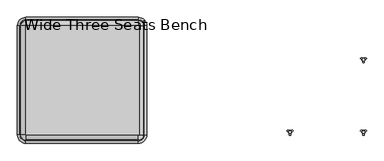
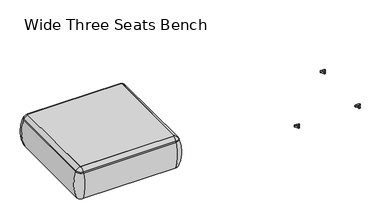
"""IFC4 building model written with IfcOpenShell, lengths in millimetres: furniture geometry, Wide Three Seats Bench."""

from ifc_helpers import new_model, si_unit, point, frame, frame_2d, origin, place, context, project, spatial, polyline, circle_curve, ellipse_curve, trimmed, segment, composite_curve, outline, extrude, source, transform, mapped, element, save
from ifc_brep_helpers import plane_surface, cylinder_surface, revolved_surface, advanced_brep


def wide_three_seats_bench_999d82e3(model_context):
    return source(origin(), model_context, "Body", "SolidModel", [
        advanced_brep(
        [(-1447.2450173, -668.4794123, 390.3914007), (-1441.96521, -673.7592195, 390.3914007), (-1441.96521, -673.7592195, 123.9999984), (-1447.2450173, -668.4794123, 123.9999984), (-1475.9330615, -668.4794123, 123.9999984), (-1441.96521, -702.4472637, 123.9999984), (-1441.96521, -710.1267287, 353.7769053), (-1483.6125265, -668.4794123, 353.7769053), (-1447.2450173, 89.8571486, 123.9999984), (-1447.2450173, 89.8571486, 390.3914007), (-1483.6125265, 89.8571486, 353.7769053), (-1475.9330615, 89.8571486, 123.9999984), (-1441.96521, 95.1369558, 390.3914007), (-1441.96521, 95.1369558, 123.9999984), (-1441.96521, 123.825, 123.9999984), (-1441.96521, 131.504465, 353.7769053), (-662.18521, 95.1369558, 123.9999984), (-662.18521, 95.1369558, 390.3914007), (-662.18521, 131.504465, 353.7769053), (-662.18521, 123.825, 123.9999984), (-656.9054028, 89.8571486, 390.3914007), (-656.9054028, 89.8571486, 123.9999984), (-628.2173586, 89.8571486, 123.9999984), (-620.5378936, 89.8571486, 353.7769053), (-656.9054028, -668.4794123, 123.9999984), (-656.9054028, -668.4794123, 390.3914007), (-620.5378936, -668.4794123, 353.7769053), (-628.2173586, -668.4794123, 123.9999984), (-662.18521, -673.7592195, 390.3914007), (-662.18521, -673.7592195, 123.9999984), (-662.18521, -702.4472637, 123.9999984), (-662.18521, -710.1267287, 353.7769053), (-1478.3940666, -668.4794123, 363.6402875), (-1441.96521, -704.9082688, 363.6402875), (-1478.3940666, 89.8571486, 363.6402875), (-1441.96521, 126.2860051, 363.6402875), (-662.18521, 126.2860051, 363.6402875), (-625.7563535, 89.8571486, 363.6402875), (-625.7563535, -668.4794123, 363.6402875), (-662.18521, -704.9082688, 363.6402875)],
        [
            (0, 1, circle_curve(frame((-1441.96521, -668.4794123, 390.3914007), z_axis=(0.0, 0.0, 1.0), x_axis=(0.0, -1.0, 0.0)), 5.2798073)),
            (1, 2),
            (2, 3, circle_curve(frame((-1441.96521, -668.4794123, 123.9999984), z_axis=(0.0, 0.0, -1.0), x_axis=(0.0, -1.0, 0.0)), 5.2798073)),
            (3, 0),
            (4, 5, circle_curve(frame((-1441.96521, -668.4794123, 123.9999984), z_axis=(0.0, 0.0, 1.0), x_axis=(0.0, -1.0, 0.0)), 33.9678514)),
            (5, 6, circle_curve(frame((-1441.96521, -406.0729797, 248.9220234), z_axis=(-1.0, 0.0, 0.0), x_axis=(0.0, -1.0, 0.0)), 321.625914)),
            (6, 7, circle_curve(frame((-1441.96521, -668.4794123, 353.7769053), z_axis=(0.0, 0.0, -1.0), x_axis=(0.0, -1.0, 0.0)), 41.6473165)),
            (7, 4, circle_curve(frame((-1179.5587775, -668.4794123, 248.9220234), z_axis=(0.0, -1.0, 0.0), x_axis=(-1.0, 0.0, 0.0)), 321.625914)),
            (3, 8),
            (8, 9),
            (9, 0),
            (7, 10),
            (10, 11, circle_curve(frame((-1179.5587775, 89.8571486, 248.9220234), z_axis=(0.0, -1.0, 0.0), x_axis=(-1.0, 0.0, 0.0)), 321.625914)),
            (11, 4),
            (12, 9, circle_curve(frame((-1441.96521, 89.8571486, 390.3914007), z_axis=(0.0, 0.0, 1.0), x_axis=(-1.0, 0.0, 0.0)), 5.2798073)),
            (8, 13, circle_curve(frame((-1441.96521, 89.8571486, 123.9999984), z_axis=(0.0, 0.0, -1.0), x_axis=(-1.0, 0.0, 0.0)), 5.2798073)),
            (13, 12),
            (14, 11, circle_curve(frame((-1441.96521, 89.8571486, 123.9999984), z_axis=(0.0, 0.0, 1.0), x_axis=(-1.0, 0.0, 0.0)), 33.9678514)),
            (10, 15, circle_curve(frame((-1441.96521, 89.8571486, 353.7769053), z_axis=(0.0, 0.0, -1.0), x_axis=(-1.0, 0.0, 0.0)), 41.6473165)),
            (15, 14, circle_curve(frame((-1441.96521, -172.549284, 248.9220234), z_axis=(-1.0, 0.0, 0.0), x_axis=(0.0, 1.0, 0.0)), 321.625914)),
            (13, 16),
            (16, 17),
            (17, 12),
            (15, 18),
            (18, 19, circle_curve(frame((-662.18521, -172.549284, 248.9220234), z_axis=(-1.0, 0.0, 0.0), x_axis=(0.0, 1.0, 0.0)), 321.625914)),
            (19, 14),
            (20, 17, circle_curve(frame((-662.18521, 89.8571486, 390.3914007), z_axis=(0.0, 0.0, 1.0), x_axis=(0.0, 1.0, 0.0)), 5.2798073)),
            (16, 21, circle_curve(frame((-662.18521, 89.8571486, 123.9999984), z_axis=(0.0, 0.0, -1.0), x_axis=(0.0, 1.0, 0.0)), 5.2798073)),
            (21, 20),
            (22, 19, circle_curve(frame((-662.18521, 89.8571486, 123.9999984), z_axis=(0.0, 0.0, 1.0), x_axis=(0.0, 1.0, 0.0)), 33.9678514)),
            (18, 23, circle_curve(frame((-662.18521, 89.8571486, 353.7769053), z_axis=(0.0, 0.0, -1.0), x_axis=(0.0, 1.0, 0.0)), 41.6473165)),
            (23, 22, circle_curve(frame((-924.5916426, 89.8571486, 248.9220234), z_axis=(0.0, 1.0, 0.0), x_axis=(1.0, 0.0, 0.0)), 321.625914)),
            (21, 24),
            (24, 25),
            (25, 20),
            (23, 26),
            (26, 27, circle_curve(frame((-924.5916426, -668.4794123, 248.9220234), z_axis=(0.0, 1.0, 0.0), x_axis=(1.0, 0.0, 0.0)), 321.625914)),
            (27, 22),
            (28, 25, circle_curve(frame((-662.18521, -668.4794123, 390.3914007), z_axis=(0.0, 0.0, 1.0), x_axis=(1.0, 0.0, 0.0)), 5.2798073)),
            (24, 29, circle_curve(frame((-662.18521, -668.4794123, 123.9999984), z_axis=(0.0, 0.0, -1.0), x_axis=(1.0, 0.0, 0.0)), 5.2798073)),
            (29, 28),
            (30, 27, circle_curve(frame((-662.18521, -668.4794123, 123.9999984), z_axis=(0.0, 0.0, 1.0), x_axis=(1.0, 0.0, 0.0)), 33.9678514)),
            (26, 31, circle_curve(frame((-662.18521, -668.4794123, 353.7769053), z_axis=(0.0, 0.0, -1.0), x_axis=(1.0, 0.0, 0.0)), 41.6473165)),
            (31, 30, circle_curve(frame((-662.18521, -406.0729797, 248.9220234), z_axis=(1.0, 0.0, 0.0), x_axis=(0.0, -1.0, 0.0)), 321.625914)),
            (30, 5),
            (2, 29),
            (1, 28),
            (31, 6),
            (32, 33, circle_curve(frame((-1441.96521, -668.4794123, 363.6402875), z_axis=(0.0, 0.0, 1.0), x_axis=(0.0, -1.0, 0.0)), 36.4288566)),
            (33, 1, circle_curve(frame((-1441.96521, -629.5266, 307.3762868), z_axis=(-1.0, 0.0, 0.0), x_axis=(0.0, -1.0, 0.0)), 94.0639876)),
            (0, 32, circle_curve(frame((-1403.0123978, -668.4794123, 307.3762868), z_axis=(0.0, -1.0, 0.0), x_axis=(-1.0, 0.0, 0.0)), 94.0639876)),
            (6, 33, circle_curve(frame((-1441.96521, -675.8620096, 341.9604975), z_axis=(-1.0, 0.0, 0.0), x_axis=(0.0, -1.0, 0.0)), 36.2449785)),
            (32, 7, circle_curve(frame((-1449.3478074, -668.4794123, 341.9604975), z_axis=(0.0, -1.0, 0.0), x_axis=(-1.0, 0.0, 0.0)), 36.2449785)),
            (9, 34, circle_curve(frame((-1403.0123978, 89.8571486, 307.3762868), z_axis=(0.0, -1.0, 0.0), x_axis=(-1.0, 0.0, 0.0)), 94.0639876)),
            (34, 32),
            (34, 10, circle_curve(frame((-1449.3478074, 89.8571486, 341.9604975), z_axis=(0.0, -1.0, 0.0), x_axis=(-1.0, 0.0, 0.0)), 36.2449785)),
            (35, 34, circle_curve(frame((-1441.96521, 89.8571486, 363.6402875), z_axis=(0.0, 0.0, 1.0), x_axis=(-1.0, 0.0, 0.0)), 36.4288566)),
            (12, 35, circle_curve(frame((-1441.96521, 50.9043363, 307.3762868), z_axis=(-1.0, 0.0, 0.0), x_axis=(0.0, 1.0, 0.0)), 94.0639876)),
            (35, 15, circle_curve(frame((-1441.96521, 97.2397459, 341.9604975), z_axis=(-1.0, 0.0, 0.0), x_axis=(0.0, 1.0, 0.0)), 36.2449785)),
            (17, 36, circle_curve(frame((-662.18521, 50.9043363, 307.3762868), z_axis=(-1.0, 0.0, 0.0), x_axis=(0.0, 1.0, 0.0)), 94.0639876)),
            (36, 35),
            (36, 18, circle_curve(frame((-662.18521, 97.2397459, 341.9604975), z_axis=(-1.0, 0.0, 0.0), x_axis=(0.0, 1.0, 0.0)), 36.2449785)),
            (37, 36, circle_curve(frame((-662.18521, 89.8571486, 363.6402875), z_axis=(0.0, 0.0, 1.0), x_axis=(0.0, 1.0, 0.0)), 36.4288566)),
            (20, 37, circle_curve(frame((-701.1380223, 89.8571486, 307.3762868), z_axis=(0.0, 1.0, 0.0), x_axis=(1.0, 0.0, 0.0)), 94.0639876)),
            (37, 23, circle_curve(frame((-654.8026126, 89.8571486, 341.9604975), z_axis=(0.0, 1.0, 0.0), x_axis=(1.0, 0.0, 0.0)), 36.2449785)),
            (25, 38, circle_curve(frame((-701.1380223, -668.4794123, 307.3762868), z_axis=(0.0, 1.0, 0.0), x_axis=(1.0, 0.0, 0.0)), 94.0639876)),
            (38, 37),
            (38, 26, circle_curve(frame((-654.8026126, -668.4794123, 341.9604975), z_axis=(0.0, 1.0, 0.0), x_axis=(1.0, 0.0, 0.0)), 36.2449785)),
            (39, 38, circle_curve(frame((-662.18521, -668.4794123, 363.6402875), z_axis=(0.0, 0.0, 1.0), x_axis=(1.0, 0.0, 0.0)), 36.4288566)),
            (28, 39, circle_curve(frame((-662.18521, -629.5266, 307.3762868), z_axis=(1.0, 0.0, 0.0), x_axis=(0.0, -1.0, 0.0)), 94.0639876)),
            (39, 31, circle_curve(frame((-662.18521, -675.8620096, 341.9604975), z_axis=(1.0, 0.0, 0.0), x_axis=(0.0, -1.0, 0.0)), 36.2449785)),
            (33, 39),
        ],
        [
            revolved_surface(polyline([(-1441.96521, -673.7592196, 123.9999984), (-1441.96521, -673.7592196, 390.3914007)]), (-1441.96521, -668.4794123, 0.0), (0.0, 0.0, -1.0)),
            revolved_surface(trimmed(ellipse_curve(frame((-1441.96521, -406.0729797, 248.9220234), z_axis=(1.0, 0.0, 0.0), x_axis=(0.0, -1.0, 0.0)), 321.625914, 321.625914), [point((-1441.96521, -710.1267287, 353.7769053))], [point((-1441.96521, -702.4472637, 123.9999984))], True, "CARTESIAN"), (-1441.96521, -668.4794123, 0.0), (0.0, 0.0, -1.0)),
            plane_surface(frame((-1447.2450173, -668.4794123, 123.9999984), z_axis=(1.0, 0.0, 0.0), x_axis=(0.0, 1.0, 0.0))),
            cylinder_surface(frame((-1179.5587775, -668.4794123, 248.9220234), z_axis=(0.0, -1.0, 0.0), x_axis=(-1.0, 0.0, 0.0)), 321.625914),
            revolved_surface(polyline([(-1447.2450173, 89.8571486, 123.9999984), (-1447.2450173, 89.8571486, 390.3914007)]), (-1441.96521, 89.8571486, 0.0), (0.0, 0.0, -1.0)),
            revolved_surface(trimmed(ellipse_curve(frame((-1179.5587775, 89.8571486, 248.9220234), z_axis=(0.0, -1.0, 0.0), x_axis=(-1.0, 0.0, 0.0)), 321.625914, 321.625914), [point((-1483.6125265, 89.8571486, 353.7769053))], [point((-1475.9330615, 89.8571486, 123.9999984))], True, "CARTESIAN"), (-1441.96521, 89.8571486, 0.0), (0.0, 0.0, -1.0)),
            plane_surface(frame((-1441.96521, 95.1369558, 123.9999984), z_axis=(0.0, -1.0, 0.0), x_axis=(1.0, 0.0, 0.0))),
            cylinder_surface(frame((-1441.96521, -172.549284, 248.9220234), z_axis=(-1.0, 0.0, 0.0), x_axis=(0.0, 1.0, 0.0)), 321.625914),
            revolved_surface(polyline([(-662.18521, 95.1369559, 123.9999984), (-662.18521, 95.1369559, 390.3914007)]), (-662.18521, 89.8571486, 0.0), (0.0, 0.0, -1.0)),
            revolved_surface(trimmed(ellipse_curve(frame((-662.18521, -172.549284, 248.9220234), z_axis=(-1.0, 0.0, 0.0), x_axis=(0.0, 1.0, 0.0)), 321.625914, 321.625914), [point((-662.18521, 131.504465, 353.7769053))], [point((-662.18521, 123.825, 123.9999984))], True, "CARTESIAN"), (-662.18521, 89.8571486, 0.0), (0.0, 0.0, -1.0)),
            plane_surface(frame((-656.9054028, 89.8571486, 123.9999984), z_axis=(-1.0, 0.0, 0.0), x_axis=(0.0, -1.0, 0.0))),
            cylinder_surface(frame((-924.5916426, 89.8571486, 248.9220234), z_axis=(0.0, 1.0, 0.0), x_axis=(1.0, 0.0, 0.0)), 321.625914),
            revolved_surface(polyline([(-656.9054027, -668.4794123, 123.9999984), (-656.9054027, -668.4794123, 390.3914007)]), (-662.18521, -668.4794123, 0.0), (0.0, 0.0, -1.0)),
            revolved_surface(trimmed(ellipse_curve(frame((-924.5916426, -668.4794123, 248.9220234), z_axis=(0.0, 1.0, 0.0), x_axis=(1.0, 0.0, 0.0)), 321.625914, 321.625914), [point((-620.5378936, -668.4794123, 353.7769053))], [point((-628.2173586, -668.4794123, 123.9999984))], True, "CARTESIAN"), (-662.18521, -668.4794123, 0.0), (0.0, 0.0, -1.0)),
            plane_surface(frame((-662.18521, -702.4472637, 123.9999984), z_axis=(0.0, 0.0, -1.0), x_axis=(-1.0, 0.0, 0.0))),
            plane_surface(frame((-662.18521, -673.7592195, 123.9999984), z_axis=(0.0, 1.0, 0.0), x_axis=(-1.0, 0.0, 0.0))),
            cylinder_surface(frame((-662.18521, -406.0729797, 248.9220234), z_axis=(1.0, 0.0, 0.0), x_axis=(0.0, -1.0, 0.0)), 321.625914),
            revolved_surface(trimmed(ellipse_curve(frame((-1441.96521, -629.5266, 307.3762868), z_axis=(1.0, 0.0, 0.0), x_axis=(0.0, -1.0, 0.0)), 94.0639876, 94.0639876), [point((-1441.96521, -673.7592195, 390.3914007))], [point((-1441.96521, -704.9082688, 363.6402875))], True, "CARTESIAN"), (-1441.96521, -668.4794123, 0.0), (0.0, 0.0, -1.0)),
            revolved_surface(trimmed(ellipse_curve(frame((-1441.96521, -675.8620096, 341.9604975), z_axis=(1.0, 0.0, 0.0), x_axis=(0.0, -1.0, 0.0)), 36.2449785, 36.2449785), [point((-1441.96521, -704.9082688, 363.6402875))], [point((-1441.96521, -710.1267287, 353.7769053))], True, "CARTESIAN"), (-1441.96521, -668.4794123, 0.0), (0.0, 0.0, -1.0)),
            cylinder_surface(frame((-1403.0123978, -668.4794123, 307.3762868), z_axis=(0.0, -1.0, 0.0), x_axis=(-1.0, 0.0, 0.0)), 94.0639876),
            cylinder_surface(frame((-1449.3478074, -668.4794123, 341.9604975), z_axis=(0.0, -1.0, 0.0), x_axis=(-1.0, 0.0, 0.0)), 36.2449785),
            revolved_surface(trimmed(ellipse_curve(frame((-1403.0123978, 89.8571486, 307.3762868), z_axis=(0.0, -1.0, 0.0), x_axis=(-1.0, 0.0, 0.0)), 94.0639876, 94.0639876), [point((-1447.2450173, 89.8571486, 390.3914007))], [point((-1478.3940666, 89.8571486, 363.6402875))], True, "CARTESIAN"), (-1441.96521, 89.8571486, 0.0), (0.0, 0.0, -1.0)),
            revolved_surface(trimmed(ellipse_curve(frame((-1449.3478074, 89.8571486, 341.9604975), z_axis=(0.0, -1.0, 0.0), x_axis=(-1.0, 0.0, 0.0)), 36.2449785, 36.2449785), [point((-1478.3940666, 89.8571486, 363.6402875))], [point((-1483.6125265, 89.8571486, 353.7769053))], True, "CARTESIAN"), (-1441.96521, 89.8571486, 0.0), (0.0, 0.0, -1.0)),
            cylinder_surface(frame((-1441.96521, 50.9043363, 307.3762868), z_axis=(-1.0, 0.0, 0.0), x_axis=(0.0, 1.0, 0.0)), 94.0639876),
            cylinder_surface(frame((-1441.96521, 97.2397459, 341.9604975), z_axis=(-1.0, 0.0, 0.0), x_axis=(0.0, 1.0, 0.0)), 36.2449785),
            revolved_surface(trimmed(ellipse_curve(frame((-662.18521, 50.9043363, 307.3762868), z_axis=(-1.0, 0.0, 0.0), x_axis=(0.0, 1.0, 0.0)), 94.0639876, 94.0639876), [point((-662.18521, 95.1369558, 390.3914007))], [point((-662.18521, 126.2860051, 363.6402875))], True, "CARTESIAN"), (-662.18521, 89.8571486, 0.0), (0.0, 0.0, -1.0)),
            revolved_surface(trimmed(ellipse_curve(frame((-662.18521, 97.2397459, 341.9604975), z_axis=(-1.0, 0.0, 0.0), x_axis=(0.0, 1.0, 0.0)), 36.2449785, 36.2449785), [point((-662.18521, 126.2860051, 363.6402875))], [point((-662.18521, 131.504465, 353.7769053))], True, "CARTESIAN"), (-662.18521, 89.8571486, 0.0), (0.0, 0.0, -1.0)),
            cylinder_surface(frame((-701.1380223, 89.8571486, 307.3762868), z_axis=(0.0, 1.0, 0.0), x_axis=(1.0, 0.0, 0.0)), 94.0639876),
            cylinder_surface(frame((-654.8026126, 89.8571486, 341.9604975), z_axis=(0.0, 1.0, 0.0), x_axis=(1.0, 0.0, 0.0)), 36.2449785),
            revolved_surface(trimmed(ellipse_curve(frame((-701.1380223, -668.4794123, 307.3762868), z_axis=(0.0, 1.0, 0.0), x_axis=(1.0, 0.0, 0.0)), 94.0639876, 94.0639876), [point((-656.9054028, -668.4794123, 390.3914007))], [point((-625.7563535, -668.4794123, 363.6402875))], True, "CARTESIAN"), (-662.18521, -668.4794123, 0.0), (0.0, 0.0, -1.0)),
            revolved_surface(trimmed(ellipse_curve(frame((-654.8026126, -668.4794123, 341.9604975), z_axis=(0.0, 1.0, 0.0), x_axis=(1.0, 0.0, 0.0)), 36.2449785, 36.2449785), [point((-625.7563535, -668.4794123, 363.6402875))], [point((-620.5378936, -668.4794123, 353.7769053))], True, "CARTESIAN"), (-662.18521, -668.4794123, 0.0), (0.0, 0.0, -1.0)),
            cylinder_surface(frame((-662.18521, -629.5266, 307.3762868), z_axis=(1.0, 0.0, 0.0), x_axis=(0.0, -1.0, 0.0)), 94.0639876),
            cylinder_surface(frame((-662.18521, -675.8620096, 341.9604975), z_axis=(1.0, 0.0, 0.0), x_axis=(0.0, -1.0, 0.0)), 36.2449785),
        ],
        [
            (0, [[1, 2, 3, 4]]),
            (1, [[5, 6, 7, 8]]),
            (2, [[-4, 9, 10, 11]]),
            (3, [[-8, 12, 13, 14]]),
            (4, [[15, -10, 16, 17]]),
            (5, [[18, -13, 19, 20]]),
            (6, [[-17, 21, 22, 23]]),
            (7, [[-20, 24, 25, 26]]),
            (8, [[27, -22, 28, 29]]),
            (9, [[30, -25, 31, 32]]),
            (10, [[-29, 33, 34, 35]]),
            (11, [[-32, 36, 37, 38]]),
            (12, [[39, -34, 40, 41]]),
            (13, [[42, -37, 43, 44]]),
            (14, [[-38, -42, 45, -5, -14, -18, -26, -30], [46, -40, -33, -28, -21, -16, -9, -3]]),
            (15, [[-41, -46, -2, 47]]),
            (16, [[-44, 48, -6, -45]]),
            (17, [[49, 50, -1, 51]]),
            (18, [[-7, 52, -49, 53]]),
            (19, [[-51, -11, 54, 55]]),
            (20, [[-53, -55, 56, -12]]),
            (21, [[57, -54, -15, 58]]),
            (22, [[-19, -56, -57, 59]]),
            (23, [[-58, -23, 60, 61]]),
            (24, [[-59, -61, 62, -24]]),
            (25, [[63, -60, -27, 64]]),
            (26, [[-31, -62, -63, 65]]),
            (27, [[-64, -35, 66, 67]]),
            (28, [[-65, -67, 68, -36]]),
            (29, [[69, -66, -39, 70]]),
            (30, [[-43, -68, -69, 71]]),
            (31, [[-70, -47, -50, 72]]),
            (32, [[-71, -72, -52, -48]]),
        ],
    ),
        extrude(outline(composite_curve([segment(trimmed(circle_curve(frame_2d((-662.18521, -668.4794123)), 5.2798073), [point((-656.9054028, -668.4794123))], [point((-662.18521, -673.7592195))], False, "CARTESIAN"), True, "CONTINUOUS"), segment(polyline([(-662.18521, -673.7592195), (-1441.96521, -673.7592195)]), True, "CONTINUOUS"), segment(trimmed(circle_curve(frame_2d((-1441.96521, -668.4794123)), 5.2798073), [point((-1441.96521, -673.7592195))], [point((-1447.2450173, -668.4794123))], False, "CARTESIAN"), True, "CONTINUOUS"), segment(polyline([(-1447.2450173, -668.4794123), (-1447.2450173, 89.8571486)]), True, "CONTINUOUS"), segment(trimmed(circle_curve(frame_2d((-1441.96521, 89.8571486)), 5.2798073), [point((-1447.2450173, 89.8571486))], [point((-1441.96521, 95.1369558))], False, "CARTESIAN"), True, "CONTINUOUS"), segment(polyline([(-1441.96521, 95.1369558), (-662.18521, 95.1369558)]), True, "CONTINUOUS"), segment(trimmed(circle_curve(frame_2d((-662.18521, 89.8571486)), 5.2798073), [point((-662.18521, 95.1369558))], [point((-656.9054028, 89.8571486))], False, "CARTESIAN"), True, "CONTINUOUS"), segment(polyline([(-656.9054028, 89.8571486), (-656.9054028, -668.4794123)]), True, "CONTINUOUS")], self_intersect=False)), frame((0.0, 0.0, 123.9999984), z_axis=(0.0, 0.0, 1.0), x_axis=(1.0, 0.0, 0.0)), (0.0, 0.0, 1.0), 266.3914023),
        advanced_brep(
        [(-1216.6567178, -130.2721038, 98.611642), (-1220.879306, -137.585841, 98.611642), (-1220.4813572, -138.7518724, 98.611642), (-1204.6620864, -166.1516574, 98.611642), (-1203.8512529, -167.0792988, 98.611642), (-1195.4060744, -167.0792988, 98.611642), (-1194.6015461, -165.9895174, 98.611642), (-1178.4992931, -138.4877144, 98.611642), (-1178.378016, -137.5858427, 98.611642), (-1182.600606, -130.2721023, 98.611642), (-1183.8093894, -130.0337175, 98.611642), (-1215.4479379, -130.0337175, 98.611642), (-1190.2557871, -145.1926245, 98.611642), (-1209.160799, -145.1926245, 98.611642), (-1216.6567178, -130.2721038, 88.6531552), (-1215.4479379, -130.0337175, 88.6531552), (-1183.8093894, -130.0337175, 88.6531552), (-1182.600606, -130.2721023, 88.6531552), (-1178.378016, -137.5858427, 88.6531552), (-1178.4992931, -138.4877144, 88.6531552), (-1194.6015461, -165.9895174, 88.6531552), (-1195.4060744, -167.0792988, 88.6531552), (-1203.8512529, -167.0792988, 88.6531552), (-1204.6620864, -166.1516574, 88.6531552), (-1220.4813572, -138.7518724, 88.6531552), (-1220.879306, -137.585841, 88.6531552), (-1209.160799, -145.1926245, 103.6569541), (-1190.2557871, -145.1926245, 103.6569541)],
        [
            (0, 1, circle_curve(frame((-1198.3972298, -145.690049, 98.611642), z_axis=(0.0, 0.0, 1.0), x_axis=(1.0, 0.0, 0.0)), 23.8981576)),
            (1, 2, circle_curve(frame((-1219.9517474, -137.920202, 98.611642), z_axis=(0.0, 0.0, 1.0), x_axis=(1.0, 0.0, 0.0)), 0.9859828)),
            (2, 3, circle_curve(frame((-1238.8767271, -167.6389644, 98.611642), z_axis=(0.0, 0.0, -1.0), x_axis=(1.0, 0.0, 0.0)), 34.246952)),
            (3, 4, circle_curve(frame((-1203.6770431, -166.1088376, 98.611642), z_axis=(0.0, 0.0, 1.0), x_axis=(1.0, 0.0, 0.0)), 0.9859736)),
            (4, 5, circle_curve(frame((-1199.6286636, -143.5567534, 98.611642), z_axis=(0.0, 0.0, 1.0), x_axis=(1.0, 0.0, 0.0)), 23.8985439)),
            (5, 6, circle_curve(frame((-1195.5802862, -166.1088262, 98.611642), z_axis=(0.0, 0.0, 1.0), x_axis=(1.0, 0.0, 0.0)), 0.9859852)),
            (6, 7, circle_curve(frame((-1160.3798725, -167.5614211, 98.611642), z_axis=(0.0, 0.0, -1.0), x_axis=(1.0, 0.0, 0.0)), 34.2577557)),
            (7, 8, circle_curve(frame((-1179.3055775, -137.9202011, 98.611642), z_axis=(0.0, 0.0, 1.0), x_axis=(1.0, 0.0, 0.0)), 0.9859847)),
            (8, 9, circle_curve(frame((-1200.8597064, -145.6898258, 98.611642), z_axis=(0.0, 0.0, 1.0), x_axis=(1.0, 0.0, 0.0)), 23.8977184)),
            (9, 10, circle_curve(frame((-1183.3539522, -130.9082171, 98.611642), z_axis=(0.0, 0.0, 1.0), x_axis=(1.0, 0.0, 0.0)), 0.9859881)),
            (10, 11, circle_curve(frame((-1199.6286636, -99.6586209, 98.611642), z_axis=(0.0, 0.0, -1.0), x_axis=(1.0, 0.0, 0.0)), 34.2475683)),
            (11, 0, circle_curve(frame((-1215.9033729, -130.9082131, 98.611642), z_axis=(0.0, 0.0, 1.0), x_axis=(1.0, 0.0, 0.0)), 0.9859835)),
            (12, 13, circle_curve(frame((-1199.7082931, -145.1926245, 98.611642), z_axis=(0.0, 0.0, -1.0), x_axis=(1.0, 0.0, 0.0)), 9.452506)),
            (13, 12, circle_curve(frame((-1199.7082931, -145.1926245, 98.611642), z_axis=(0.0, 0.0, -1.0), x_axis=(1.0, 0.0, 0.0)), 9.452506)),
            (14, 15, circle_curve(frame((-1215.9033729, -130.9082131, 88.6531552), z_axis=(0.0, 0.0, -1.0), x_axis=(1.0, 0.0, 0.0)), 0.9859835)),
            (15, 16, circle_curve(frame((-1199.6286636, -99.6586209, 88.6531552), z_axis=(0.0, 0.0, 1.0), x_axis=(1.0, 0.0, 0.0)), 34.2475683)),
            (16, 17, circle_curve(frame((-1183.3539522, -130.9082171, 88.6531552), z_axis=(0.0, 0.0, -1.0), x_axis=(1.0, 0.0, 0.0)), 0.9859881)),
            (17, 18, circle_curve(frame((-1200.8597064, -145.6898258, 88.6531552), z_axis=(0.0, 0.0, -1.0), x_axis=(1.0, 0.0, 0.0)), 23.8977184)),
            (18, 19, circle_curve(frame((-1179.3055775, -137.9202011, 88.6531552), z_axis=(0.0, 0.0, -1.0), x_axis=(1.0, 0.0, 0.0)), 0.9859847)),
            (19, 20, circle_curve(frame((-1160.3798725, -167.5614211, 88.6531552), z_axis=(0.0, 0.0, 1.0), x_axis=(1.0, 0.0, 0.0)), 34.2577557)),
            (20, 21, circle_curve(frame((-1195.5802862, -166.1088262, 88.6531552), z_axis=(0.0, 0.0, -1.0), x_axis=(1.0, 0.0, 0.0)), 0.9859852)),
            (21, 22, circle_curve(frame((-1199.6286636, -143.5567534, 88.6531552), z_axis=(0.0, 0.0, -1.0), x_axis=(1.0, 0.0, 0.0)), 23.8985439)),
            (22, 23, circle_curve(frame((-1203.6770431, -166.1088376, 88.6531552), z_axis=(0.0, 0.0, -1.0), x_axis=(1.0, 0.0, 0.0)), 0.9859736)),
            (23, 24, circle_curve(frame((-1238.8767271, -167.6389644, 88.6531552), z_axis=(0.0, 0.0, 1.0), x_axis=(1.0, 0.0, 0.0)), 34.246952)),
            (24, 25, circle_curve(frame((-1219.9517474, -137.920202, 88.6531552), z_axis=(0.0, 0.0, -1.0), x_axis=(1.0, 0.0, 0.0)), 0.9859828)),
            (25, 14, circle_curve(frame((-1198.3972298, -145.690049, 88.6531552), z_axis=(0.0, 0.0, -1.0), x_axis=(1.0, 0.0, 0.0)), 23.8981576)),
            (26, 27, circle_curve(frame((-1199.7082931, -145.1926245, 103.6569541), z_axis=(0.0, 0.0, 1.0), x_axis=(1.0, 0.0, 0.0)), 9.452506)),
            (27, 26, circle_curve(frame((-1199.7082931, -145.1926245, 103.6569541), z_axis=(0.0, 0.0, 1.0), x_axis=(1.0, 0.0, 0.0)), 9.452506)),
            (0, 14),
            (25, 1),
            (24, 2),
            (23, 3),
            (22, 4),
            (21, 5),
            (20, 6),
            (19, 7),
            (18, 8),
            (17, 9),
            (16, 10),
            (15, 11),
            (26, 13),
            (12, 27),
        ],
        [
            plane_surface(frame((-1174.4990722, -145.690049, 98.611642), z_axis=(0.0, 0.0, 1.0), x_axis=(0.0, 1.0, 0.0))),
            plane_surface(frame((-1174.4990722, -145.690049, 88.6531552), z_axis=(0.0, 0.0, -1.0), x_axis=(0.0, -1.0, 0.0))),
            plane_surface(frame((-1190.2557871, -145.1926245, 103.6569541), z_axis=(0.0, 0.0, 1.0), x_axis=(0.0, 1.0, 0.0))),
            cylinder_surface(frame((-1198.3972298, -145.690049, 88.6531552), z_axis=(0.0, 0.0, 1.0), x_axis=(1.0, 0.0, 0.0)), 23.8981576),
            cylinder_surface(frame((-1219.9517474, -137.920202, 88.6531552), z_axis=(0.0, 0.0, 1.0), x_axis=(1.0, 0.0, 0.0)), 0.9859828),
            revolved_surface(polyline([(-1204.6297751, -167.6389644, 88.6531552), (-1204.6297751, -167.6389644, 98.611642)]), (-1238.8767271, -167.6389644, 88.6531552), (0.0, 0.0, -1.0)),
            cylinder_surface(frame((-1203.6770431, -166.1088376, 88.6531552), z_axis=(0.0, 0.0, 1.0), x_axis=(1.0, 0.0, 0.0)), 0.9859736),
            cylinder_surface(frame((-1199.6286636, -143.5567534, 88.6531552), z_axis=(0.0, 0.0, 1.0), x_axis=(1.0, 0.0, 0.0)), 23.8985439),
            cylinder_surface(frame((-1195.5802862, -166.1088262, 88.6531552), z_axis=(0.0, 0.0, 1.0), x_axis=(1.0, 0.0, 0.0)), 0.9859852),
            revolved_surface(polyline([(-1126.1221168, -167.5614211, 88.6531552), (-1126.1221168, -167.5614211, 98.611642)]), (-1160.3798725, -167.5614211, 88.6531552), (0.0, 0.0, -1.0)),
            cylinder_surface(frame((-1179.3055775, -137.9202011, 88.6531552), z_axis=(0.0, 0.0, 1.0), x_axis=(1.0, 0.0, 0.0)), 0.9859847),
            cylinder_surface(frame((-1200.8597064, -145.6898258, 88.6531552), z_axis=(0.0, 0.0, 1.0), x_axis=(1.0, 0.0, 0.0)), 23.8977184),
            cylinder_surface(frame((-1183.3539522, -130.9082171, 88.6531552), z_axis=(0.0, 0.0, 1.0), x_axis=(1.0, 0.0, 0.0)), 0.9859881),
            revolved_surface(polyline([(-1165.3810953, -99.6586209, 88.6531552), (-1165.3810953, -99.6586209, 98.611642)]), (-1199.6286636, -99.6586209, 88.6531552), (0.0, 0.0, -1.0)),
            cylinder_surface(frame((-1215.9033729, -130.9082131, 88.6531552), z_axis=(0.0, 0.0, 1.0), x_axis=(1.0, 0.0, 0.0)), 0.9859835),
            cylinder_surface(frame((-1199.7082931, -145.1926245, 98.611642), z_axis=(0.0, 0.0, 1.0), x_axis=(1.0, 0.0, 0.0)), 9.452506),
        ],
        [
            (0, [[1, 2, 3, 4, 5, 6, 7, 8, 9, 10, 11, 12], [13, 14]]),
            (1, [[15, 16, 17, 18, 19, 20, 21, 22, 23, 24, 25, 26]]),
            (2, [[27, 28]]),
            (3, [[-1, 29, -26, 30]]),
            (4, [[-2, -30, -25, 31]]),
            (5, [[-3, -31, -24, 32]]),
            (6, [[-4, -32, -23, 33]]),
            (7, [[-5, -33, -22, 34]]),
            (8, [[-6, -34, -21, 35]]),
            (9, [[-7, -35, -20, 36]]),
            (10, [[-8, -36, -19, 37]]),
            (11, [[-9, -37, -18, 38]]),
            (12, [[-10, -38, -17, 39]]),
            (13, [[-11, -39, -16, 40]]),
            (14, [[-12, -40, -15, -29]]),
            (15, [[-27, 41, -13, 42]]),
            (15, [[-28, -42, -14, -41]]),
        ],
    ),
        advanced_brep(
        [(883.5433829, -130.2721038, 98.611642), (879.3207947, -137.585841, 98.611642), (879.7187435, -138.7518724, 98.611642), (895.5380143, -166.1516574, 98.611642), (896.3488478, -167.0792988, 98.611642), (904.7940264, -167.0792988, 98.611642), (905.5985546, -165.9895174, 98.611642), (921.7008076, -138.4877144, 98.611642), (921.8220847, -137.5858427, 98.611642), (917.5994947, -130.2721023, 98.611642), (916.3907113, -130.0337175, 98.611642), (884.7521628, -130.0337175, 98.611642), (909.9443136, -145.1926245, 98.611642), (891.0393017, -145.1926245, 98.611642), (883.5433829, -130.2721038, 88.6531552), (884.7521628, -130.0337175, 88.6531552), (916.3907113, -130.0337175, 88.6531552), (917.5994947, -130.2721023, 88.6531552), (921.8220847, -137.5858427, 88.6531552), (921.7008076, -138.4877144, 88.6531552), (905.5985546, -165.9895174, 88.6531552), (904.7940264, -167.0792988, 88.6531552), (896.3488478, -167.0792988, 88.6531552), (895.5380143, -166.1516574, 88.6531552), (879.7187435, -138.7518724, 88.6531552), (879.3207947, -137.585841, 88.6531552), (891.0393017, -145.1926245, 103.6569541), (909.9443136, -145.1926245, 103.6569541)],
        [
            (0, 1, circle_curve(frame((901.8028709, -145.690049, 98.611642), z_axis=(0.0, 0.0, 1.0), x_axis=(1.0, 0.0, 0.0)), 23.8981576)),
            (1, 2, circle_curve(frame((880.2483533, -137.920202, 98.611642), z_axis=(0.0, 0.0, 1.0), x_axis=(1.0, 0.0, 0.0)), 0.9859828)),
            (2, 3, circle_curve(frame((861.3233736, -167.6389644, 98.611642), z_axis=(0.0, 0.0, -1.0), x_axis=(1.0, 0.0, 0.0)), 34.246952)),
            (3, 4, circle_curve(frame((896.5230576, -166.1088376, 98.611642), z_axis=(0.0, 0.0, 1.0), x_axis=(1.0, 0.0, 0.0)), 0.9859736)),
            (4, 5, circle_curve(frame((900.5714371, -143.5567534, 98.611642), z_axis=(0.0, 0.0, 1.0), x_axis=(1.0, 0.0, 0.0)), 23.8985439)),
            (5, 6, circle_curve(frame((904.6198145, -166.1088262, 98.611642), z_axis=(0.0, 0.0, 1.0), x_axis=(1.0, 0.0, 0.0)), 0.9859852)),
            (6, 7, circle_curve(frame((939.8202282, -167.5614211, 98.611642), z_axis=(0.0, 0.0, -1.0), x_axis=(1.0, 0.0, 0.0)), 34.2577557)),
            (7, 8, circle_curve(frame((920.8945232, -137.9202011, 98.611642), z_axis=(0.0, 0.0, 1.0), x_axis=(1.0, 0.0, 0.0)), 0.9859847)),
            (8, 9, circle_curve(frame((899.3403943, -145.6898258, 98.611642), z_axis=(0.0, 0.0, 1.0), x_axis=(1.0, 0.0, 0.0)), 23.8977184)),
            (9, 10, circle_curve(frame((916.8461485, -130.9082171, 98.611642), z_axis=(0.0, 0.0, 1.0), x_axis=(1.0, 0.0, 0.0)), 0.9859881)),
            (10, 11, circle_curve(frame((900.5714371, -99.6586209, 98.611642), z_axis=(0.0, 0.0, -1.0), x_axis=(1.0, 0.0, 0.0)), 34.2475683)),
            (11, 0, circle_curve(frame((884.2967278, -130.9082131, 98.611642), z_axis=(0.0, 0.0, 1.0), x_axis=(1.0, 0.0, 0.0)), 0.9859835)),
            (12, 13, circle_curve(frame((900.4918076, -145.1926245, 98.611642), z_axis=(0.0, 0.0, -1.0), x_axis=(1.0, 0.0, 0.0)), 9.452506)),
            (13, 12, circle_curve(frame((900.4918076, -145.1926245, 98.611642), z_axis=(0.0, 0.0, -1.0), x_axis=(1.0, 0.0, 0.0)), 9.452506)),
            (14, 15, circle_curve(frame((884.2967278, -130.9082131, 88.6531552), z_axis=(0.0, 0.0, -1.0), x_axis=(1.0, 0.0, 0.0)), 0.9859835)),
            (15, 16, circle_curve(frame((900.5714371, -99.6586209, 88.6531552), z_axis=(0.0, 0.0, 1.0), x_axis=(1.0, 0.0, 0.0)), 34.2475683)),
            (16, 17, circle_curve(frame((916.8461485, -130.9082171, 88.6531552), z_axis=(0.0, 0.0, -1.0), x_axis=(1.0, 0.0, 0.0)), 0.9859881)),
            (17, 18, circle_curve(frame((899.3403943, -145.6898258, 88.6531552), z_axis=(0.0, 0.0, -1.0), x_axis=(1.0, 0.0, 0.0)), 23.8977184)),
            (18, 19, circle_curve(frame((920.8945232, -137.9202011, 88.6531552), z_axis=(0.0, 0.0, -1.0), x_axis=(1.0, 0.0, 0.0)), 0.9859847)),
            (19, 20, circle_curve(frame((939.8202282, -167.5614211, 88.6531552), z_axis=(0.0, 0.0, 1.0), x_axis=(1.0, 0.0, 0.0)), 34.2577557)),
            (20, 21, circle_curve(frame((904.6198145, -166.1088262, 88.6531552), z_axis=(0.0, 0.0, -1.0), x_axis=(1.0, 0.0, 0.0)), 0.9859852)),
            (21, 22, circle_curve(frame((900.5714371, -143.5567534, 88.6531552), z_axis=(0.0, 0.0, -1.0), x_axis=(1.0, 0.0, 0.0)), 23.8985439)),
            (22, 23, circle_curve(frame((896.5230576, -166.1088376, 88.6531552), z_axis=(0.0, 0.0, -1.0), x_axis=(1.0, 0.0, 0.0)), 0.9859736)),
            (23, 24, circle_curve(frame((861.3233736, -167.6389644, 88.6531552), z_axis=(0.0, 0.0, 1.0), x_axis=(1.0, 0.0, 0.0)), 34.246952)),
            (24, 25, circle_curve(frame((880.2483533, -137.920202, 88.6531552), z_axis=(0.0, 0.0, -1.0), x_axis=(1.0, 0.0, 0.0)), 0.9859828)),
            (25, 14, circle_curve(frame((901.8028709, -145.690049, 88.6531552), z_axis=(0.0, 0.0, -1.0), x_axis=(1.0, 0.0, 0.0)), 23.8981576)),
            (26, 27, circle_curve(frame((900.4918076, -145.1926245, 103.6569541), z_axis=(0.0, 0.0, 1.0), x_axis=(1.0, 0.0, 0.0)), 9.452506)),
            (27, 26, circle_curve(frame((900.4918076, -145.1926245, 103.6569541), z_axis=(0.0, 0.0, 1.0), x_axis=(1.0, 0.0, 0.0)), 9.452506)),
            (0, 14),
            (25, 1),
            (24, 2),
            (23, 3),
            (22, 4),
            (21, 5),
            (20, 6),
            (19, 7),
            (18, 8),
            (17, 9),
            (16, 10),
            (15, 11),
            (26, 13),
            (12, 27),
        ],
        [
            plane_surface(frame((925.7010285, -145.690049, 98.611642), z_axis=(0.0, 0.0, 1.0), x_axis=(0.0, 1.0, 0.0))),
            plane_surface(frame((925.7010285, -145.690049, 88.6531552), z_axis=(0.0, 0.0, -1.0), x_axis=(0.0, -1.0, 0.0))),
            plane_surface(frame((909.9443136, -145.1926245, 103.6569541), z_axis=(0.0, 0.0, 1.0), x_axis=(0.0, 1.0, 0.0))),
            cylinder_surface(frame((901.8028709, -145.690049, 88.6531552), z_axis=(0.0, 0.0, 1.0), x_axis=(1.0, 0.0, 0.0)), 23.8981576),
            cylinder_surface(frame((880.2483533, -137.920202, 88.6531552), z_axis=(0.0, 0.0, 1.0), x_axis=(1.0, 0.0, 0.0)), 0.9859828),
            revolved_surface(polyline([(895.5703255999999, -167.6389644, 88.6531552), (895.5703255999999, -167.6389644, 98.611642)]), (861.3233736, -167.6389644, 88.6531552), (0.0, 0.0, -1.0)),
            cylinder_surface(frame((896.5230576, -166.1088376, 88.6531552), z_axis=(0.0, 0.0, 1.0), x_axis=(1.0, 0.0, 0.0)), 0.9859736),
            cylinder_surface(frame((900.5714371, -143.5567534, 88.6531552), z_axis=(0.0, 0.0, 1.0), x_axis=(1.0, 0.0, 0.0)), 23.8985439),
            cylinder_surface(frame((904.6198145, -166.1088262, 88.6531552), z_axis=(0.0, 0.0, 1.0), x_axis=(1.0, 0.0, 0.0)), 0.9859852),
            revolved_surface(polyline([(974.0779838999999, -167.5614211, 88.6531552), (974.0779838999999, -167.5614211, 98.611642)]), (939.8202282, -167.5614211, 88.6531552), (0.0, 0.0, -1.0)),
            cylinder_surface(frame((920.8945232, -137.9202011, 88.6531552), z_axis=(0.0, 0.0, 1.0), x_axis=(1.0, 0.0, 0.0)), 0.9859847),
            cylinder_surface(frame((899.3403943, -145.6898258, 88.6531552), z_axis=(0.0, 0.0, 1.0), x_axis=(1.0, 0.0, 0.0)), 23.8977184),
            cylinder_surface(frame((916.8461485, -130.9082171, 88.6531552), z_axis=(0.0, 0.0, 1.0), x_axis=(1.0, 0.0, 0.0)), 0.9859881),
            revolved_surface(polyline([(934.8190054, -99.6586209, 88.6531552), (934.8190054, -99.6586209, 98.611642)]), (900.5714371, -99.6586209, 88.6531552), (0.0, 0.0, -1.0)),
            cylinder_surface(frame((884.2967278, -130.9082131, 88.6531552), z_axis=(0.0, 0.0, 1.0), x_axis=(1.0, 0.0, 0.0)), 0.9859835),
            cylinder_surface(frame((900.4918076, -145.1926245, 98.611642), z_axis=(0.0, 0.0, 1.0), x_axis=(1.0, 0.0, 0.0)), 9.452506),
        ],
        [
            (0, [[1, 2, 3, 4, 5, 6, 7, 8, 9, 10, 11, 12], [13, 14]]),
            (1, [[15, 16, 17, 18, 19, 20, 21, 22, 23, 24, 25, 26]]),
            (2, [[27, 28]]),
            (3, [[-1, 29, -26, 30]]),
            (4, [[-2, -30, -25, 31]]),
            (5, [[-3, -31, -24, 32]]),
            (6, [[-4, -32, -23, 33]]),
            (7, [[-5, -33, -22, 34]]),
            (8, [[-6, -34, -21, 35]]),
            (9, [[-7, -35, -20, 36]]),
            (10, [[-8, -36, -19, 37]]),
            (11, [[-9, -37, -18, 38]]),
            (12, [[-10, -38, -17, 39]]),
            (13, [[-11, -39, -16, 40]]),
            (14, [[-12, -40, -15, -29]]),
            (15, [[-27, 41, -13, 42]]),
            (15, [[-28, -42, -14, -41]]),
        ],
    ),
        advanced_brep(
        [(883.5433829, -633.9963447, 98.611642), (879.3207947, -641.3100819, 98.611642), (879.7187435, -642.4761133, 98.611642), (895.5380143, -669.8758983, 98.611642), (896.3488478, -670.8035397, 98.611642), (904.7940264, -670.8035397, 98.611642), (905.5985546, -669.7137583, 98.611642), (921.7008076, -642.2119553, 98.611642), (921.8220847, -641.3100836, 98.611642), (917.5994947, -633.9963432, 98.611642), (916.3907113, -633.7579584, 98.611642), (884.7521628, -633.7579584, 98.611642), (909.9443136, -648.9168654, 98.611642), (891.0393017, -648.9168654, 98.611642), (883.5433829, -633.9963447, 88.6531552), (884.7521628, -633.7579584, 88.6531552), (916.3907113, -633.7579584, 88.6531552), (917.5994947, -633.9963432, 88.6531552), (921.8220847, -641.3100836, 88.6531552), (921.7008076, -642.2119553, 88.6531552), (905.5985546, -669.7137583, 88.6531552), (904.7940264, -670.8035397, 88.6531552), (896.3488478, -670.8035397, 88.6531552), (895.5380143, -669.8758983, 88.6531552), (879.7187435, -642.4761133, 88.6531552), (879.3207947, -641.3100819, 88.6531552), (891.0393017, -648.9168654, 103.6569541), (909.9443136, -648.9168654, 103.6569541)],
        [
            (0, 1, circle_curve(frame((901.8028709, -649.4142898, 98.611642), z_axis=(0.0, 0.0, 1.0), x_axis=(1.0, 0.0, 0.0)), 23.8981576)),
            (1, 2, circle_curve(frame((880.2483533, -641.6444428, 98.611642), z_axis=(0.0, 0.0, 1.0), x_axis=(1.0, 0.0, 0.0)), 0.9859828)),
            (2, 3, circle_curve(frame((861.3233736, -671.3632053, 98.611642), z_axis=(0.0, 0.0, -1.0), x_axis=(1.0, 0.0, 0.0)), 34.246952)),
            (3, 4, circle_curve(frame((896.5230576, -669.8330785, 98.611642), z_axis=(0.0, 0.0, 1.0), x_axis=(1.0, 0.0, 0.0)), 0.9859736)),
            (4, 5, circle_curve(frame((900.5714371, -647.2809943, 98.611642), z_axis=(0.0, 0.0, 1.0), x_axis=(1.0, 0.0, 0.0)), 23.8985439)),
            (5, 6, circle_curve(frame((904.6198145, -669.8330671, 98.611642), z_axis=(0.0, 0.0, 1.0), x_axis=(1.0, 0.0, 0.0)), 0.9859852)),
            (6, 7, circle_curve(frame((939.8202282, -671.285662, 98.611642), z_axis=(0.0, 0.0, -1.0), x_axis=(1.0, 0.0, 0.0)), 34.2577557)),
            (7, 8, circle_curve(frame((920.8945232, -641.644442, 98.611642), z_axis=(0.0, 0.0, 1.0), x_axis=(1.0, 0.0, 0.0)), 0.9859847)),
            (8, 9, circle_curve(frame((899.3403943, -649.4140667, 98.611642), z_axis=(0.0, 0.0, 1.0), x_axis=(1.0, 0.0, 0.0)), 23.8977184)),
            (9, 10, circle_curve(frame((916.8461485, -634.632458, 98.611642), z_axis=(0.0, 0.0, 1.0), x_axis=(1.0, 0.0, 0.0)), 0.9859881)),
            (10, 11, circle_curve(frame((900.5714371, -603.3828618, 98.611642), z_axis=(0.0, 0.0, -1.0), x_axis=(1.0, 0.0, 0.0)), 34.2475683)),
            (11, 0, circle_curve(frame((884.2967278, -634.632454, 98.611642), z_axis=(0.0, 0.0, 1.0), x_axis=(1.0, 0.0, 0.0)), 0.9859835)),
            (12, 13, circle_curve(frame((900.4918076, -648.9168654, 98.611642), z_axis=(0.0, 0.0, -1.0), x_axis=(1.0, 0.0, 0.0)), 9.452506)),
            (13, 12, circle_curve(frame((900.4918076, -648.9168654, 98.611642), z_axis=(0.0, 0.0, -1.0), x_axis=(1.0, 0.0, 0.0)), 9.452506)),
            (14, 15, circle_curve(frame((884.2967278, -634.632454, 88.6531552), z_axis=(0.0, 0.0, -1.0), x_axis=(1.0, 0.0, 0.0)), 0.9859835)),
            (15, 16, circle_curve(frame((900.5714371, -603.3828618, 88.6531552), z_axis=(0.0, 0.0, 1.0), x_axis=(1.0, 0.0, 0.0)), 34.2475683)),
            (16, 17, circle_curve(frame((916.8461485, -634.632458, 88.6531552), z_axis=(0.0, 0.0, -1.0), x_axis=(1.0, 0.0, 0.0)), 0.9859881)),
            (17, 18, circle_curve(frame((899.3403943, -649.4140667, 88.6531552), z_axis=(0.0, 0.0, -1.0), x_axis=(1.0, 0.0, 0.0)), 23.8977184)),
            (18, 19, circle_curve(frame((920.8945232, -641.644442, 88.6531552), z_axis=(0.0, 0.0, -1.0), x_axis=(1.0, 0.0, 0.0)), 0.9859847)),
            (19, 20, circle_curve(frame((939.8202282, -671.285662, 88.6531552), z_axis=(0.0, 0.0, 1.0), x_axis=(1.0, 0.0, 0.0)), 34.2577557)),
            (20, 21, circle_curve(frame((904.6198145, -669.8330671, 88.6531552), z_axis=(0.0, 0.0, -1.0), x_axis=(1.0, 0.0, 0.0)), 0.9859852)),
            (21, 22, circle_curve(frame((900.5714371, -647.2809943, 88.6531552), z_axis=(0.0, 0.0, -1.0), x_axis=(1.0, 0.0, 0.0)), 23.8985439)),
            (22, 23, circle_curve(frame((896.5230576, -669.8330785, 88.6531552), z_axis=(0.0, 0.0, -1.0), x_axis=(1.0, 0.0, 0.0)), 0.9859736)),
            (23, 24, circle_curve(frame((861.3233736, -671.3632053, 88.6531552), z_axis=(0.0, 0.0, 1.0), x_axis=(1.0, 0.0, 0.0)), 34.246952)),
            (24, 25, circle_curve(frame((880.2483533, -641.6444428, 88.6531552), z_axis=(0.0, 0.0, -1.0), x_axis=(1.0, 0.0, 0.0)), 0.9859828)),
            (25, 14, circle_curve(frame((901.8028709, -649.4142898, 88.6531552), z_axis=(0.0, 0.0, -1.0), x_axis=(1.0, 0.0, 0.0)), 23.8981576)),
            (26, 27, circle_curve(frame((900.4918076, -648.9168654, 103.6569541), z_axis=(0.0, 0.0, 1.0), x_axis=(1.0, 0.0, 0.0)), 9.452506)),
            (27, 26, circle_curve(frame((900.4918076, -648.9168654, 103.6569541), z_axis=(0.0, 0.0, 1.0), x_axis=(1.0, 0.0, 0.0)), 9.452506)),
            (0, 14),
            (25, 1),
            (24, 2),
            (23, 3),
            (22, 4),
            (21, 5),
            (20, 6),
            (19, 7),
            (18, 8),
            (17, 9),
            (16, 10),
            (15, 11),
            (26, 13),
            (12, 27),
        ],
        [
            plane_surface(frame((925.7010285, -649.4142898, 98.611642), z_axis=(0.0, 0.0, 1.0), x_axis=(0.0, 1.0, 0.0))),
            plane_surface(frame((925.7010285, -649.4142898, 88.6531552), z_axis=(0.0, 0.0, -1.0), x_axis=(0.0, -1.0, 0.0))),
            plane_surface(frame((909.9443136, -648.9168654, 103.6569541), z_axis=(0.0, 0.0, 1.0), x_axis=(0.0, 1.0, 0.0))),
            cylinder_surface(frame((901.8028709, -649.4142898, 88.6531552), z_axis=(0.0, 0.0, 1.0), x_axis=(1.0, 0.0, 0.0)), 23.8981576),
            cylinder_surface(frame((880.2483533, -641.6444428, 88.6531552), z_axis=(0.0, 0.0, 1.0), x_axis=(1.0, 0.0, 0.0)), 0.9859828),
            revolved_surface(polyline([(895.5703255999999, -671.3632053, 88.6531552), (895.5703255999999, -671.3632053, 98.611642)]), (861.3233736, -671.3632053, 88.6531552), (0.0, 0.0, -1.0)),
            cylinder_surface(frame((896.5230576, -669.8330785, 88.6531552), z_axis=(0.0, 0.0, 1.0), x_axis=(1.0, 0.0, 0.0)), 0.9859736),
            cylinder_surface(frame((900.5714371, -647.2809943, 88.6531552), z_axis=(0.0, 0.0, 1.0), x_axis=(1.0, 0.0, 0.0)), 23.8985439),
            cylinder_surface(frame((904.6198145, -669.8330671, 88.6531552), z_axis=(0.0, 0.0, 1.0), x_axis=(1.0, 0.0, 0.0)), 0.9859852),
            revolved_surface(polyline([(974.0779838999999, -671.285662, 88.6531552), (974.0779838999999, -671.285662, 98.611642)]), (939.8202282, -671.285662, 88.6531552), (0.0, 0.0, -1.0)),
            cylinder_surface(frame((920.8945232, -641.644442, 88.6531552), z_axis=(0.0, 0.0, 1.0), x_axis=(1.0, 0.0, 0.0)), 0.9859847),
            cylinder_surface(frame((899.3403943, -649.4140667, 88.6531552), z_axis=(0.0, 0.0, 1.0), x_axis=(1.0, 0.0, 0.0)), 23.8977184),
            cylinder_surface(frame((916.8461485, -634.632458, 88.6531552), z_axis=(0.0, 0.0, 1.0), x_axis=(1.0, 0.0, 0.0)), 0.9859881),
            revolved_surface(polyline([(934.8190054, -603.3828618, 88.6531552), (934.8190054, -603.3828618, 98.611642)]), (900.5714371, -603.3828618, 88.6531552), (0.0, 0.0, -1.0)),
            cylinder_surface(frame((884.2967278, -634.632454, 88.6531552), z_axis=(0.0, 0.0, 1.0), x_axis=(1.0, 0.0, 0.0)), 0.9859835),
            cylinder_surface(frame((900.4918076, -648.9168654, 98.611642), z_axis=(0.0, 0.0, 1.0), x_axis=(1.0, 0.0, 0.0)), 9.452506),
        ],
        [
            (0, [[1, 2, 3, 4, 5, 6, 7, 8, 9, 10, 11, 12], [13, 14]]),
            (1, [[15, 16, 17, 18, 19, 20, 21, 22, 23, 24, 25, 26]]),
            (2, [[27, 28]]),
            (3, [[-1, 29, -26, 30]]),
            (4, [[-2, -30, -25, 31]]),
            (5, [[-3, -31, -24, 32]]),
            (6, [[-4, -32, -23, 33]]),
            (7, [[-5, -33, -22, 34]]),
            (8, [[-6, -34, -21, 35]]),
            (9, [[-7, -35, -20, 36]]),
            (10, [[-8, -36, -19, 37]]),
            (11, [[-9, -37, -18, 38]]),
            (12, [[-10, -38, -17, 39]]),
            (13, [[-11, -39, -16, 40]]),
            (14, [[-12, -40, -15, -29]]),
            (15, [[-27, 41, -13, 42]]),
            (15, [[-28, -42, -14, -41]]),
        ],
    ),
        advanced_brep(
        [(373.838792, -633.9963447, 98.611642), (369.6162038, -641.3100819, 98.611642), (370.0141527, -642.4761133, 98.611642), (385.8334234, -669.8758983, 98.611642), (386.6442569, -670.8035397, 98.611642), (395.0894355, -670.8035397, 98.611642), (395.8939637, -669.7137583, 98.611642), (411.9962168, -642.2119553, 98.611642), (412.1174938, -641.3100836, 98.611642), (407.8949039, -633.9963432, 98.611642), (406.6861204, -633.7579584, 98.611642), (375.047572, -633.7579584, 98.611642), (400.2397227, -648.9168654, 98.611642), (381.3347108, -648.9168654, 98.611642), (373.838792, -633.9963447, 88.6531552), (375.047572, -633.7579584, 88.6531552), (406.6861204, -633.7579584, 88.6531552), (407.8949039, -633.9963432, 88.6531552), (412.1174938, -641.3100836, 88.6531552), (411.9962168, -642.2119553, 88.6531552), (395.8939637, -669.7137583, 88.6531552), (395.0894355, -670.8035397, 88.6531552), (386.6442569, -670.8035397, 88.6531552), (385.8334234, -669.8758983, 88.6531552), (370.0141527, -642.4761133, 88.6531552), (369.6162038, -641.3100819, 88.6531552), (381.3347108, -648.9168654, 103.6569541), (400.2397227, -648.9168654, 103.6569541)],
        [
            (0, 1, circle_curve(frame((392.09828, -649.4142898, 98.611642), z_axis=(0.0, 0.0, 1.0), x_axis=(1.0, 0.0, 0.0)), 23.8981576)),
            (1, 2, circle_curve(frame((370.5437624, -641.6444428, 98.611642), z_axis=(0.0, 0.0, 1.0), x_axis=(1.0, 0.0, 0.0)), 0.9859828)),
            (2, 3, circle_curve(frame((351.6187827, -671.3632053, 98.611642), z_axis=(0.0, 0.0, -1.0), x_axis=(1.0, 0.0, 0.0)), 34.246952)),
            (3, 4, circle_curve(frame((386.8184668, -669.8330785, 98.611642), z_axis=(0.0, 0.0, 1.0), x_axis=(1.0, 0.0, 0.0)), 0.9859736)),
            (4, 5, circle_curve(frame((390.8668462, -647.2809943, 98.611642), z_axis=(0.0, 0.0, 1.0), x_axis=(1.0, 0.0, 0.0)), 23.8985439)),
            (5, 6, circle_curve(frame((394.9152236, -669.8330671, 98.611642), z_axis=(0.0, 0.0, 1.0), x_axis=(1.0, 0.0, 0.0)), 0.9859852)),
            (6, 7, circle_curve(frame((430.1156373, -671.285662, 98.611642), z_axis=(0.0, 0.0, -1.0), x_axis=(1.0, 0.0, 0.0)), 34.2577557)),
            (7, 8, circle_curve(frame((411.1899324, -641.644442, 98.611642), z_axis=(0.0, 0.0, 1.0), x_axis=(1.0, 0.0, 0.0)), 0.9859847)),
            (8, 9, circle_curve(frame((389.6358034, -649.4140667, 98.611642), z_axis=(0.0, 0.0, 1.0), x_axis=(1.0, 0.0, 0.0)), 23.8977184)),
            (9, 10, circle_curve(frame((407.1415576, -634.632458, 98.611642), z_axis=(0.0, 0.0, 1.0), x_axis=(1.0, 0.0, 0.0)), 0.9859881)),
            (10, 11, circle_curve(frame((390.8668462, -603.3828618, 98.611642), z_axis=(0.0, 0.0, -1.0), x_axis=(1.0, 0.0, 0.0)), 34.2475683)),
            (11, 0, circle_curve(frame((374.5921369, -634.632454, 98.611642), z_axis=(0.0, 0.0, 1.0), x_axis=(1.0, 0.0, 0.0)), 0.9859835)),
            (12, 13, circle_curve(frame((390.7872168, -648.9168654, 98.611642), z_axis=(0.0, 0.0, -1.0), x_axis=(1.0, 0.0, 0.0)), 9.452506)),
            (13, 12, circle_curve(frame((390.7872168, -648.9168654, 98.611642), z_axis=(0.0, 0.0, -1.0), x_axis=(1.0, 0.0, 0.0)), 9.452506)),
            (14, 15, circle_curve(frame((374.5921369, -634.632454, 88.6531552), z_axis=(0.0, 0.0, -1.0), x_axis=(1.0, 0.0, 0.0)), 0.9859835)),
            (15, 16, circle_curve(frame((390.8668462, -603.3828618, 88.6531552), z_axis=(0.0, 0.0, 1.0), x_axis=(1.0, 0.0, 0.0)), 34.2475683)),
            (16, 17, circle_curve(frame((407.1415576, -634.632458, 88.6531552), z_axis=(0.0, 0.0, -1.0), x_axis=(1.0, 0.0, 0.0)), 0.9859881)),
            (17, 18, circle_curve(frame((389.6358034, -649.4140667, 88.6531552), z_axis=(0.0, 0.0, -1.0), x_axis=(1.0, 0.0, 0.0)), 23.8977184)),
            (18, 19, circle_curve(frame((411.1899324, -641.644442, 88.6531552), z_axis=(0.0, 0.0, -1.0), x_axis=(1.0, 0.0, 0.0)), 0.9859847)),
            (19, 20, circle_curve(frame((430.1156373, -671.285662, 88.6531552), z_axis=(0.0, 0.0, 1.0), x_axis=(1.0, 0.0, 0.0)), 34.2577557)),
            (20, 21, circle_curve(frame((394.9152236, -669.8330671, 88.6531552), z_axis=(0.0, 0.0, -1.0), x_axis=(1.0, 0.0, 0.0)), 0.9859852)),
            (21, 22, circle_curve(frame((390.8668462, -647.2809943, 88.6531552), z_axis=(0.0, 0.0, -1.0), x_axis=(1.0, 0.0, 0.0)), 23.8985439)),
            (22, 23, circle_curve(frame((386.8184668, -669.8330785, 88.6531552), z_axis=(0.0, 0.0, -1.0), x_axis=(1.0, 0.0, 0.0)), 0.9859736)),
            (23, 24, circle_curve(frame((351.6187827, -671.3632053, 88.6531552), z_axis=(0.0, 0.0, 1.0), x_axis=(1.0, 0.0, 0.0)), 34.246952)),
            (24, 25, circle_curve(frame((370.5437624, -641.6444428, 88.6531552), z_axis=(0.0, 0.0, -1.0), x_axis=(1.0, 0.0, 0.0)), 0.9859828)),
            (25, 14, circle_curve(frame((392.09828, -649.4142898, 88.6531552), z_axis=(0.0, 0.0, -1.0), x_axis=(1.0, 0.0, 0.0)), 23.8981576)),
            (26, 27, circle_curve(frame((390.7872168, -648.9168654, 103.6569541), z_axis=(0.0, 0.0, 1.0), x_axis=(1.0, 0.0, 0.0)), 9.452506)),
            (27, 26, circle_curve(frame((390.7872168, -648.9168654, 103.6569541), z_axis=(0.0, 0.0, 1.0), x_axis=(1.0, 0.0, 0.0)), 9.452506)),
            (0, 14),
            (25, 1),
            (24, 2),
            (23, 3),
            (22, 4),
            (21, 5),
            (20, 6),
            (19, 7),
            (18, 8),
            (17, 9),
            (16, 10),
            (15, 11),
            (26, 13),
            (12, 27),
        ],
        [
            plane_surface(frame((415.9964377, -649.4142898, 98.611642), z_axis=(0.0, 0.0, 1.0), x_axis=(0.0, 1.0, 0.0))),
            plane_surface(frame((415.9964377, -649.4142898, 88.6531552), z_axis=(0.0, 0.0, -1.0), x_axis=(0.0, -1.0, 0.0))),
            plane_surface(frame((400.2397227, -648.9168654, 103.6569541), z_axis=(0.0, 0.0, 1.0), x_axis=(0.0, 1.0, 0.0))),
            cylinder_surface(frame((392.09828, -649.4142898, 88.6531552), z_axis=(0.0, 0.0, 1.0), x_axis=(1.0, 0.0, 0.0)), 23.8981576),
            cylinder_surface(frame((370.5437624, -641.6444428, 88.6531552), z_axis=(0.0, 0.0, 1.0), x_axis=(1.0, 0.0, 0.0)), 0.9859828),
            revolved_surface(polyline([(385.8657347, -671.3632053, 88.6531552), (385.8657347, -671.3632053, 98.611642)]), (351.6187827, -671.3632053, 88.6531552), (0.0, 0.0, -1.0)),
            cylinder_surface(frame((386.8184668, -669.8330785, 88.6531552), z_axis=(0.0, 0.0, 1.0), x_axis=(1.0, 0.0, 0.0)), 0.9859736),
            cylinder_surface(frame((390.8668462, -647.2809943, 88.6531552), z_axis=(0.0, 0.0, 1.0), x_axis=(1.0, 0.0, 0.0)), 23.8985439),
            cylinder_surface(frame((394.9152236, -669.8330671, 88.6531552), z_axis=(0.0, 0.0, 1.0), x_axis=(1.0, 0.0, 0.0)), 0.9859852),
            revolved_surface(polyline([(464.373393, -671.285662, 88.6531552), (464.373393, -671.285662, 98.611642)]), (430.1156373, -671.285662, 88.6531552), (0.0, 0.0, -1.0)),
            cylinder_surface(frame((411.1899324, -641.644442, 88.6531552), z_axis=(0.0, 0.0, 1.0), x_axis=(1.0, 0.0, 0.0)), 0.9859847),
            cylinder_surface(frame((389.6358034, -649.4140667, 88.6531552), z_axis=(0.0, 0.0, 1.0), x_axis=(1.0, 0.0, 0.0)), 23.8977184),
            cylinder_surface(frame((407.1415576, -634.632458, 88.6531552), z_axis=(0.0, 0.0, 1.0), x_axis=(1.0, 0.0, 0.0)), 0.9859881),
            revolved_surface(polyline([(425.1144145, -603.3828618, 88.6531552), (425.1144145, -603.3828618, 98.611642)]), (390.8668462, -603.3828618, 88.6531552), (0.0, 0.0, -1.0)),
            cylinder_surface(frame((374.5921369, -634.632454, 88.6531552), z_axis=(0.0, 0.0, 1.0), x_axis=(1.0, 0.0, 0.0)), 0.9859835),
            cylinder_surface(frame((390.7872168, -648.9168654, 98.611642), z_axis=(0.0, 0.0, 1.0), x_axis=(1.0, 0.0, 0.0)), 9.452506),
        ],
        [
            (0, [[1, 2, 3, 4, 5, 6, 7, 8, 9, 10, 11, 12], [13, 14]]),
            (1, [[15, 16, 17, 18, 19, 20, 21, 22, 23, 24, 25, 26]]),
            (2, [[27, 28]]),
            (3, [[-1, 29, -26, 30]]),
            (4, [[-2, -30, -25, 31]]),
            (5, [[-3, -31, -24, 32]]),
            (6, [[-4, -32, -23, 33]]),
            (7, [[-5, -33, -22, 34]]),
            (8, [[-6, -34, -21, 35]]),
            (9, [[-7, -35, -20, 36]]),
            (10, [[-8, -36, -19, 37]]),
            (11, [[-9, -37, -18, 38]]),
            (12, [[-10, -38, -17, 39]]),
            (13, [[-11, -39, -16, 40]]),
            (14, [[-12, -40, -15, -29]]),
            (15, [[-27, 41, -13, 42]]),
            (15, [[-28, -42, -14, -41]]),
        ],
    ),
    ])


if __name__ == "__main__":
    model = new_model("IFC4")
    model_context = context("Model", 3, world=origin())
    ifc_project = project(units=[si_unit("LENGTHUNIT", "METRE", prefix="MILLI")], contexts=[model_context])
    site = spatial("IfcSite", under=ifc_project)
    building = spatial("IfcBuilding", under=site)
    placement = place(None, origin())
    wide_three_seats_bench_shape = wide_three_seats_bench_999d82e3(model_context)
    element("IfcFurniture", 1, ObjectType="Wide Three Seats Bench", at=placement, inside=building, context=model_context, shape_type="MappedRepresentation", body=[
        mapped(wide_three_seats_bench_shape, transform((0.0, 0.0, 0.0), x_axis=(1.0, 0.0, 0.0), y_axis=(0.0, 1.0, 0.0), z_axis=(0.0, 0.0, 1.0))),
    ])
    save(model, "model.ifc")
